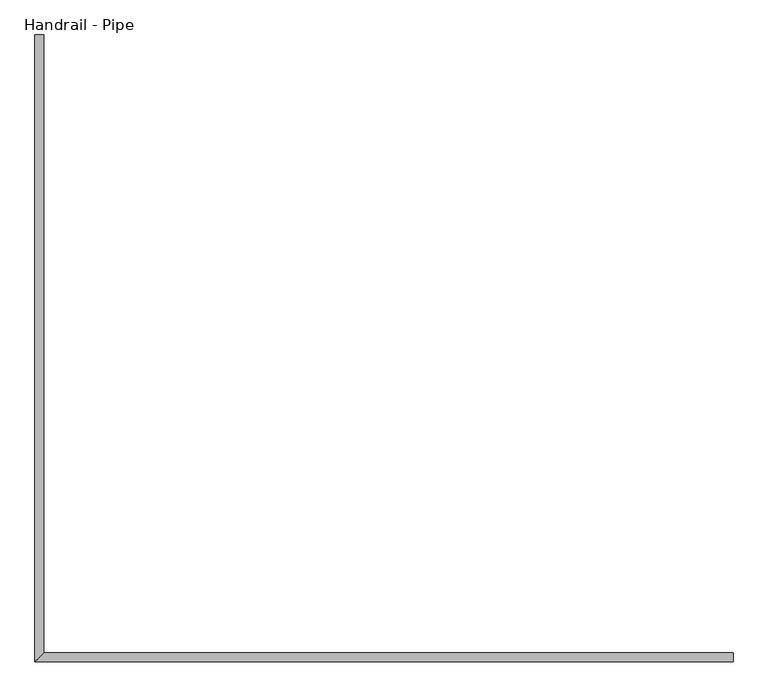
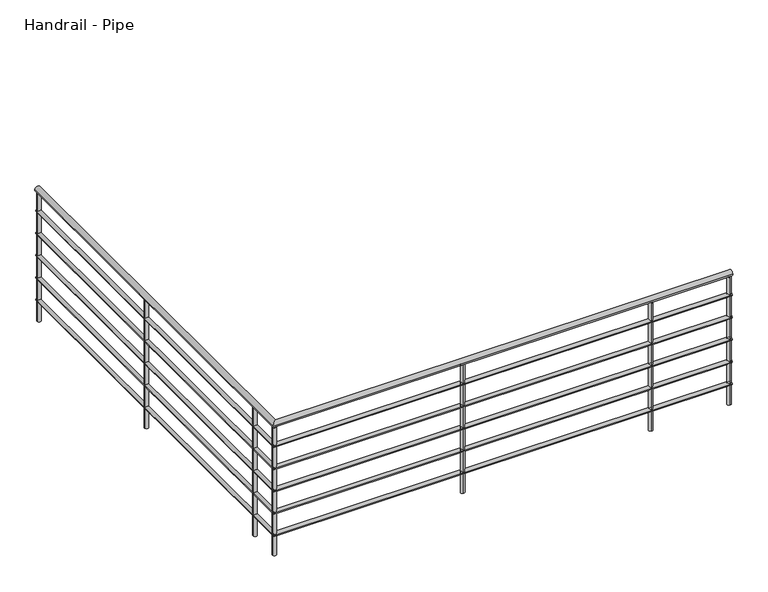
"""IFC4 building model written with IfcOpenShell, lengths in millimetres: railing geometry, Handrail - Pipe."""

from ifc_helpers import new_model, si_unit, point, frame, frame_2d, origin, place, context, project, spatial, circle_curve, ellipse_curve, trimmed, segment, composite_curve, outline, extrude, source, transform, mapped, element, save
from ifc_brep_helpers import plane_surface, cylinder_surface, advanced_brep


def handrail_pipe_4fbddd61(model_context):
    return source(origin(), model_context, "Body", "SolidModel", [
        advanced_brep(
        [(-9252.2354491, -6072.8937808, 3935.35), (-9214.1354491, -6072.8937808, 3935.35), (-9214.1354491, -8708.4437808, 3935.35), (-9252.2354491, -8746.5437808, 3935.35), (-6274.3933827, -8746.5437808, 3935.35), (-6274.3933827, -8708.4437808, 3935.35)],
        [
            (0, 1, circle_curve(frame((-9233.1854491, -6072.8937808, 3935.35), z_axis=(0.0, 1.0, 0.0), x_axis=(1.0, 0.0, 0.0)), 19.05)),
            (1, 0, circle_curve(frame((-9233.1854491, -6072.8937808, 3935.35), z_axis=(0.0, 1.0, 0.0), x_axis=(1.0, 0.0, 0.0)), 19.05)),
            (1, 2),
            (2, 3, ellipse_curve(frame((-9233.1854491, -8727.4937808, 3935.35), z_axis=(-0.7071067811865457, 0.7071067811865492, 0.0), x_axis=(0.7071067811865492, 0.7071067811865458, 0.0)), 26.9407684, 19.05)),
            (3, 0),
            (3, 2, ellipse_curve(frame((-9233.1854491, -8727.4937808, 3935.35), z_axis=(-0.7071067811865457, 0.7071067811865492, 0.0), x_axis=(0.7071067811865492, 0.7071067811865458, 0.0)), 26.9407684, 19.05)),
            (4, 5, circle_curve(frame((-6274.3933827, -8727.4937808, 3935.35), z_axis=(1.0, 0.0, 0.0), x_axis=(0.0, 1.0, 0.0)), 19.05)),
            (5, 4, circle_curve(frame((-6274.3933827, -8727.4937808, 3935.35), z_axis=(1.0, 0.0, 0.0), x_axis=(0.0, 1.0, 0.0)), 19.05)),
            (2, 5),
            (4, 3),
        ],
        [
            plane_surface(frame((-9233.1854491, -6072.8937808, 3954.4), z_axis=(0.0, 1.0, 0.0), x_axis=(0.0, 0.0, -1.0))),
            cylinder_surface(frame((-9233.1854491, -6072.8937808, 3935.35), z_axis=(0.0, 1.0, 0.0), x_axis=(1.0, 0.0, 0.0)), 19.05),
            plane_surface(frame((-6274.3933827, -8727.4937808, 3954.4), z_axis=(1.0, 0.0, 0.0), x_axis=(0.0, 1.0, 0.0))),
            cylinder_surface(frame((-9233.1854491, -8727.4937808, 3935.35), z_axis=(-1.0, 0.0, 0.0), x_axis=(0.0, 1.0, 0.0)), 19.05),
        ],
        [
            (0, [[1, 2]]),
            (1, [[-2, 3, 4, 5]]),
            (1, [[-1, -5, 6, -3]]),
            (2, [[7, 8]]),
            (3, [[-4, 9, -7, 10]]),
            (3, [[-6, -10, -8, -9]]),
        ],
    ),
        advanced_brep(
        [(-9245.8854491, -6072.8937808, 3789.3), (-9220.4854491, -6072.8937808, 3789.3), (-9220.4854491, -8714.7937808, 3789.3), (-9245.8854491, -8740.1937808, 3789.3), (-6274.3933827, -8740.1937808, 3789.3), (-6274.3933827, -8714.7937808, 3789.3)],
        [
            (0, 1, circle_curve(frame((-9233.1854491, -6072.8937808, 3789.3), z_axis=(0.0, 1.0, 0.0), x_axis=(1.0, 0.0, 0.0)), 12.7)),
            (1, 0, circle_curve(frame((-9233.1854491, -6072.8937808, 3789.3), z_axis=(0.0, 1.0, 0.0), x_axis=(1.0, 0.0, 0.0)), 12.7)),
            (1, 2),
            (2, 3, ellipse_curve(frame((-9233.1854491, -8727.4937808, 3789.3), z_axis=(-0.7071067811865457, 0.7071067811865492, 0.0), x_axis=(0.7071067811865492, 0.7071067811865458, 0.0)), 17.9605122, 12.7)),
            (3, 0),
            (3, 2, ellipse_curve(frame((-9233.1854491, -8727.4937808, 3789.3), z_axis=(-0.7071067811865457, 0.7071067811865492, 0.0), x_axis=(0.7071067811865492, 0.7071067811865458, 0.0)), 17.9605122, 12.7)),
            (4, 5, circle_curve(frame((-6274.3933827, -8727.4937808, 3789.3), z_axis=(1.0, 0.0, 0.0), x_axis=(0.0, 1.0, 0.0)), 12.7)),
            (5, 4, circle_curve(frame((-6274.3933827, -8727.4937808, 3789.3), z_axis=(1.0, 0.0, 0.0), x_axis=(0.0, 1.0, 0.0)), 12.7)),
            (2, 5),
            (4, 3),
        ],
        [
            plane_surface(frame((-9233.1854491, -6072.8937808, 3802.0), z_axis=(0.0, 1.0, 0.0), x_axis=(0.0, 0.0, -1.0))),
            cylinder_surface(frame((-9233.1854491, -6072.8937808, 3789.3), z_axis=(0.0, 1.0, 0.0), x_axis=(1.0, 0.0, 0.0)), 12.7),
            plane_surface(frame((-6274.3933827, -8727.4937808, 3802.0), z_axis=(1.0, 0.0, 0.0), x_axis=(0.0, 1.0, 0.0))),
            cylinder_surface(frame((-9233.1854491, -8727.4937808, 3789.3), z_axis=(-1.0, 0.0, 0.0), x_axis=(0.0, 1.0, 0.0)), 12.7),
        ],
        [
            (0, [[1, 2]]),
            (1, [[-2, 3, 4, 5]]),
            (1, [[-1, -5, 6, -3]]),
            (2, [[7, 8]]),
            (3, [[-4, 9, -7, 10]]),
            (3, [[-6, -10, -8, -9]]),
        ],
    ),
        advanced_brep(
        [(-9245.8854491, -6072.8937808, 3636.9), (-9220.4854491, -6072.8937808, 3636.9), (-9220.4854491, -8714.7937808, 3636.9), (-9245.8854491, -8740.1937808, 3636.9), (-6274.3933827, -8740.1937808, 3636.9), (-6274.3933827, -8714.7937808, 3636.9)],
        [
            (0, 1, circle_curve(frame((-9233.1854491, -6072.8937808, 3636.9), z_axis=(0.0, 1.0, 0.0), x_axis=(1.0, 0.0, 0.0)), 12.7)),
            (1, 0, circle_curve(frame((-9233.1854491, -6072.8937808, 3636.9), z_axis=(0.0, 1.0, 0.0), x_axis=(1.0, 0.0, 0.0)), 12.7)),
            (1, 2),
            (2, 3, ellipse_curve(frame((-9233.1854491, -8727.4937808, 3636.9), z_axis=(-0.7071067811865457, 0.7071067811865492, 0.0), x_axis=(0.7071067811865492, 0.7071067811865458, 0.0)), 17.9605122, 12.7)),
            (3, 0),
            (3, 2, ellipse_curve(frame((-9233.1854491, -8727.4937808, 3636.9), z_axis=(-0.7071067811865457, 0.7071067811865492, 0.0), x_axis=(0.7071067811865492, 0.7071067811865458, 0.0)), 17.9605122, 12.7)),
            (4, 5, circle_curve(frame((-6274.3933827, -8727.4937808, 3636.9), z_axis=(1.0, 0.0, 0.0), x_axis=(0.0, 1.0, 0.0)), 12.7)),
            (5, 4, circle_curve(frame((-6274.3933827, -8727.4937808, 3636.9), z_axis=(1.0, 0.0, 0.0), x_axis=(0.0, 1.0, 0.0)), 12.7)),
            (2, 5),
            (4, 3),
        ],
        [
            plane_surface(frame((-9233.1854491, -6072.8937808, 3649.6), z_axis=(0.0, 1.0, 0.0), x_axis=(0.0, 0.0, -1.0))),
            cylinder_surface(frame((-9233.1854491, -6072.8937808, 3636.9), z_axis=(0.0, 1.0, 0.0), x_axis=(1.0, 0.0, 0.0)), 12.7),
            plane_surface(frame((-6274.3933827, -8727.4937808, 3649.6), z_axis=(1.0, 0.0, 0.0), x_axis=(0.0, 1.0, 0.0))),
            cylinder_surface(frame((-9233.1854491, -8727.4937808, 3636.9), z_axis=(-1.0, 0.0, 0.0), x_axis=(0.0, 1.0, 0.0)), 12.7),
        ],
        [
            (0, [[1, 2]]),
            (1, [[-2, 3, 4, 5]]),
            (1, [[-1, -5, 6, -3]]),
            (2, [[7, 8]]),
            (3, [[-4, 9, -7, 10]]),
            (3, [[-6, -10, -8, -9]]),
        ],
    ),
        advanced_brep(
        [(-9245.8854491, -6072.8937808, 3484.5), (-9220.4854491, -6072.8937808, 3484.5), (-9220.4854491, -8714.7937808, 3484.5), (-9245.8854491, -8740.1937808, 3484.5), (-6274.3933827, -8740.1937808, 3484.5), (-6274.3933827, -8714.7937808, 3484.5)],
        [
            (0, 1, circle_curve(frame((-9233.1854491, -6072.8937808, 3484.5), z_axis=(0.0, 1.0, 0.0), x_axis=(1.0, 0.0, 0.0)), 12.7)),
            (1, 0, circle_curve(frame((-9233.1854491, -6072.8937808, 3484.5), z_axis=(0.0, 1.0, 0.0), x_axis=(1.0, 0.0, 0.0)), 12.7)),
            (1, 2),
            (2, 3, ellipse_curve(frame((-9233.1854491, -8727.4937808, 3484.5), z_axis=(-0.7071067811865457, 0.7071067811865492, 0.0), x_axis=(0.7071067811865492, 0.7071067811865458, 0.0)), 17.9605122, 12.7)),
            (3, 0),
            (3, 2, ellipse_curve(frame((-9233.1854491, -8727.4937808, 3484.5), z_axis=(-0.7071067811865457, 0.7071067811865492, 0.0), x_axis=(0.7071067811865492, 0.7071067811865458, 0.0)), 17.9605122, 12.7)),
            (4, 5, circle_curve(frame((-6274.3933827, -8727.4937808, 3484.5), z_axis=(1.0, 0.0, 0.0), x_axis=(0.0, 1.0, 0.0)), 12.7)),
            (5, 4, circle_curve(frame((-6274.3933827, -8727.4937808, 3484.5), z_axis=(1.0, 0.0, 0.0), x_axis=(0.0, 1.0, 0.0)), 12.7)),
            (2, 5),
            (4, 3),
        ],
        [
            plane_surface(frame((-9233.1854491, -6072.8937808, 3497.2), z_axis=(0.0, 1.0, 0.0), x_axis=(0.0, 0.0, -1.0))),
            cylinder_surface(frame((-9233.1854491, -6072.8937808, 3484.5), z_axis=(0.0, 1.0, 0.0), x_axis=(1.0, 0.0, 0.0)), 12.7),
            plane_surface(frame((-6274.3933827, -8727.4937808, 3497.2), z_axis=(1.0, 0.0, 0.0), x_axis=(0.0, 1.0, 0.0))),
            cylinder_surface(frame((-9233.1854491, -8727.4937808, 3484.5), z_axis=(-1.0, 0.0, 0.0), x_axis=(0.0, 1.0, 0.0)), 12.7),
        ],
        [
            (0, [[1, 2]]),
            (1, [[-2, 3, 4, 5]]),
            (1, [[-1, -5, 6, -3]]),
            (2, [[7, 8]]),
            (3, [[-4, 9, -7, 10]]),
            (3, [[-6, -10, -8, -9]]),
        ],
    ),
        advanced_brep(
        [(-9245.8854491, -6072.8937808, 3332.1), (-9220.4854491, -6072.8937808, 3332.1), (-9220.4854491, -8714.7937808, 3332.1), (-9245.8854491, -8740.1937808, 3332.1), (-6274.3933827, -8740.1937808, 3332.1), (-6274.3933827, -8714.7937808, 3332.1)],
        [
            (0, 1, circle_curve(frame((-9233.1854491, -6072.8937808, 3332.1), z_axis=(0.0, 1.0, 0.0), x_axis=(1.0, 0.0, 0.0)), 12.7)),
            (1, 0, circle_curve(frame((-9233.1854491, -6072.8937808, 3332.1), z_axis=(0.0, 1.0, 0.0), x_axis=(1.0, 0.0, 0.0)), 12.7)),
            (1, 2),
            (2, 3, ellipse_curve(frame((-9233.1854491, -8727.4937808, 3332.1), z_axis=(-0.7071067811865457, 0.7071067811865492, 0.0), x_axis=(0.7071067811865492, 0.7071067811865458, 0.0)), 17.9605122, 12.7)),
            (3, 0),
            (3, 2, ellipse_curve(frame((-9233.1854491, -8727.4937808, 3332.1), z_axis=(-0.7071067811865457, 0.7071067811865492, 0.0), x_axis=(0.7071067811865492, 0.7071067811865458, 0.0)), 17.9605122, 12.7)),
            (4, 5, circle_curve(frame((-6274.3933827, -8727.4937808, 3332.1), z_axis=(1.0, 0.0, 0.0), x_axis=(0.0, 1.0, 0.0)), 12.7)),
            (5, 4, circle_curve(frame((-6274.3933827, -8727.4937808, 3332.1), z_axis=(1.0, 0.0, 0.0), x_axis=(0.0, 1.0, 0.0)), 12.7)),
            (2, 5),
            (4, 3),
        ],
        [
            plane_surface(frame((-9233.1854491, -6072.8937808, 3344.8), z_axis=(0.0, 1.0, 0.0), x_axis=(0.0, 0.0, -1.0))),
            cylinder_surface(frame((-9233.1854491, -6072.8937808, 3332.1), z_axis=(0.0, 1.0, 0.0), x_axis=(1.0, 0.0, 0.0)), 12.7),
            plane_surface(frame((-6274.3933827, -8727.4937808, 3344.8), z_axis=(1.0, 0.0, 0.0), x_axis=(0.0, 1.0, 0.0))),
            cylinder_surface(frame((-9233.1854491, -8727.4937808, 3332.1), z_axis=(-1.0, 0.0, 0.0), x_axis=(0.0, 1.0, 0.0)), 12.7),
        ],
        [
            (0, [[1, 2]]),
            (1, [[-2, 3, 4, 5]]),
            (1, [[-1, -5, 6, -3]]),
            (2, [[7, 8]]),
            (3, [[-4, 9, -7, 10]]),
            (3, [[-6, -10, -8, -9]]),
        ],
    ),
        advanced_brep(
        [(-9245.8854491, -6072.8937808, 3179.7), (-9220.4854491, -6072.8937808, 3179.7), (-9220.4854491, -8714.7937808, 3179.7), (-9245.8854491, -8740.1937808, 3179.7), (-6274.3933827, -8740.1937808, 3179.7), (-6274.3933827, -8714.7937808, 3179.7)],
        [
            (0, 1, circle_curve(frame((-9233.1854491, -6072.8937808, 3179.7), z_axis=(0.0, 1.0, 0.0), x_axis=(1.0, 0.0, 0.0)), 12.7)),
            (1, 0, circle_curve(frame((-9233.1854491, -6072.8937808, 3179.7), z_axis=(0.0, 1.0, 0.0), x_axis=(1.0, 0.0, 0.0)), 12.7)),
            (1, 2),
            (2, 3, ellipse_curve(frame((-9233.1854491, -8727.4937808, 3179.7), z_axis=(-0.7071067811865457, 0.7071067811865492, 0.0), x_axis=(0.7071067811865492, 0.7071067811865458, 0.0)), 17.9605122, 12.7)),
            (3, 0),
            (3, 2, ellipse_curve(frame((-9233.1854491, -8727.4937808, 3179.7), z_axis=(-0.7071067811865457, 0.7071067811865492, 0.0), x_axis=(0.7071067811865492, 0.7071067811865458, 0.0)), 17.9605122, 12.7)),
            (4, 5, circle_curve(frame((-6274.3933827, -8727.4937808, 3179.7), z_axis=(1.0, 0.0, 0.0), x_axis=(0.0, 1.0, 0.0)), 12.7)),
            (5, 4, circle_curve(frame((-6274.3933827, -8727.4937808, 3179.7), z_axis=(1.0, 0.0, 0.0), x_axis=(0.0, 1.0, 0.0)), 12.7)),
            (2, 5),
            (4, 3),
        ],
        [
            plane_surface(frame((-9233.1854491, -6072.8937808, 3192.4), z_axis=(0.0, 1.0, 0.0), x_axis=(0.0, 0.0, -1.0))),
            cylinder_surface(frame((-9233.1854491, -6072.8937808, 3179.7), z_axis=(0.0, 1.0, 0.0), x_axis=(1.0, 0.0, 0.0)), 12.7),
            plane_surface(frame((-6274.3933827, -8727.4937808, 3192.4), z_axis=(1.0, 0.0, 0.0), x_axis=(0.0, 1.0, 0.0))),
            cylinder_surface(frame((-9233.1854491, -8727.4937808, 3179.7), z_axis=(-1.0, 0.0, 0.0), x_axis=(0.0, 1.0, 0.0)), 12.7),
        ],
        [
            (0, [[1, 2]]),
            (1, [[-2, 3, 4, 5]]),
            (1, [[-1, -5, 6, -3]]),
            (2, [[7, 8]]),
            (3, [[-4, 9, -7, 10]]),
            (3, [[-6, -10, -8, -9]]),
        ],
    ),
        extrude(outline(composite_curve([segment(trimmed(circle_curve(frame_2d((-6794.7854491, -8727.4937808)), 12.7), [point((-6794.7854491, -8740.1937808))], [point((-6794.7854491, -8714.7937808))], False, "CARTESIAN"), True, "CONTINUOUS"), segment(trimmed(circle_curve(frame_2d((-6794.7854491, -8727.4937808)), 12.7), [point((-6794.7854491, -8714.7937808))], [point((-6794.7854491, -8740.1937808))], False, "CARTESIAN"), True, "CONTINUOUS")], self_intersect=False)), frame((0.0, 0.0, 3040.0), z_axis=(0.0, 0.0, 1.0), x_axis=(1.0, 0.0, 0.0)), (0.0, 0.0, 1.0), 876.3),
        extrude(outline(composite_curve([segment(trimmed(circle_curve(frame_2d((-8013.9854491, -8727.4937808)), 12.7), [point((-8013.9854491, -8740.1937808))], [point((-8013.9854491, -8714.7937808))], False, "CARTESIAN"), True, "CONTINUOUS"), segment(trimmed(circle_curve(frame_2d((-8013.9854491, -8727.4937808)), 12.7), [point((-8013.9854491, -8714.7937808))], [point((-8013.9854491, -8740.1937808))], False, "CARTESIAN"), True, "CONTINUOUS")], self_intersect=False)), frame((0.0, 0.0, 3040.0), z_axis=(0.0, 0.0, 1.0), x_axis=(1.0, 0.0, 0.0)), (0.0, 0.0, 1.0), 876.3),
        extrude(outline(composite_curve([segment(trimmed(circle_curve(frame_2d((-9233.1854491, -8511.2937808)), 12.7), [point((-9245.8854491, -8511.2937808))], [point((-9220.4854491, -8511.2937808))], False, "CARTESIAN"), True, "CONTINUOUS"), segment(trimmed(circle_curve(frame_2d((-9233.1854491, -8511.2937808)), 12.7), [point((-9220.4854491, -8511.2937808))], [point((-9245.8854491, -8511.2937808))], False, "CARTESIAN"), True, "CONTINUOUS")], self_intersect=False)), frame((0.0, 0.0, 3040.0), z_axis=(0.0, 0.0, 1.0), x_axis=(1.0, 0.0, 0.0)), (0.0, 0.0, 1.0), 876.3),
        extrude(outline(composite_curve([segment(trimmed(circle_curve(frame_2d((-9233.1854491, -7292.0937808)), 12.7), [point((-9245.8854491, -7292.0937808))], [point((-9220.4854491, -7292.0937808))], False, "CARTESIAN"), True, "CONTINUOUS"), segment(trimmed(circle_curve(frame_2d((-9233.1854491, -7292.0937808)), 12.7), [point((-9220.4854491, -7292.0937808))], [point((-9245.8854491, -7292.0937808))], False, "CARTESIAN"), True, "CONTINUOUS")], self_intersect=False)), frame((0.0, 0.0, 3040.0), z_axis=(0.0, 0.0, 1.0), x_axis=(1.0, 0.0, 0.0)), (0.0, 0.0, 1.0), 876.3),
        extrude(outline(composite_curve([segment(trimmed(circle_curve(frame_2d((-9233.1854491, -8727.4937808)), 12.7), [point((-9245.8854491, -8727.4937808))], [point((-9220.4854491, -8727.4937808))], False, "CARTESIAN"), True, "CONTINUOUS"), segment(trimmed(circle_curve(frame_2d((-9233.1854491, -8727.4937808)), 12.7), [point((-9220.4854491, -8727.4937808))], [point((-9245.8854491, -8727.4937808))], False, "CARTESIAN"), True, "CONTINUOUS")], self_intersect=False)), frame((0.0, 0.0, 3040.0), z_axis=(0.0, 0.0, 1.0), x_axis=(1.0, 0.0, 0.0)), (0.0, 0.0, 1.0), 876.3),
        extrude(outline(composite_curve([segment(trimmed(circle_curve(frame_2d((-6287.0933827, -8727.4937808)), 12.7), [point((-6287.0933827, -8740.1937808))], [point((-6287.0933827, -8714.7937808))], False, "CARTESIAN"), True, "CONTINUOUS"), segment(trimmed(circle_curve(frame_2d((-6287.0933827, -8727.4937808)), 12.7), [point((-6287.0933827, -8714.7937808))], [point((-6287.0933827, -8740.1937808))], False, "CARTESIAN"), True, "CONTINUOUS")], self_intersect=False)), frame((0.0, 0.0, 3040.0), z_axis=(0.0, 0.0, 1.0), x_axis=(1.0, 0.0, 0.0)), (0.0, 0.0, 1.0), 876.3),
        extrude(outline(composite_curve([segment(trimmed(circle_curve(frame_2d((-9233.1854491, -6085.5937808)), 12.7), [point((-9245.8854491, -6085.5937808))], [point((-9220.4854491, -6085.5937808))], False, "CARTESIAN"), True, "CONTINUOUS"), segment(trimmed(circle_curve(frame_2d((-9233.1854491, -6085.5937808)), 12.7), [point((-9220.4854491, -6085.5937808))], [point((-9245.8854491, -6085.5937808))], False, "CARTESIAN"), True, "CONTINUOUS")], self_intersect=False)), frame((0.0, 0.0, 3040.0), z_axis=(0.0, 0.0, 1.0), x_axis=(1.0, 0.0, 0.0)), (0.0, 0.0, 1.0), 876.3),
    ])


if __name__ == "__main__":
    model = new_model("IFC4")
    model_context = context("Model", 3, world=origin())
    ifc_project = project(units=[si_unit("LENGTHUNIT", "METRE", prefix="MILLI")], contexts=[model_context])
    site = spatial("IfcSite", under=ifc_project)
    building = spatial("IfcBuilding", under=site)
    placement = place(None, origin())
    handrail_pipe_shape = handrail_pipe_4fbddd61(model_context)
    element("IfcRailing", 1, ObjectType="Handrail - Pipe", at=placement, inside=building, context=model_context, shape_type="MappedRepresentation", body=[
        mapped(handrail_pipe_shape, transform((0.0, 0.0, 0.0), x_axis=(1.0, 0.0, 0.0), y_axis=(0.0, 1.0, 0.0), z_axis=(0.0, 0.0, 1.0))),
    ])
    save(model, "model.ifc")
